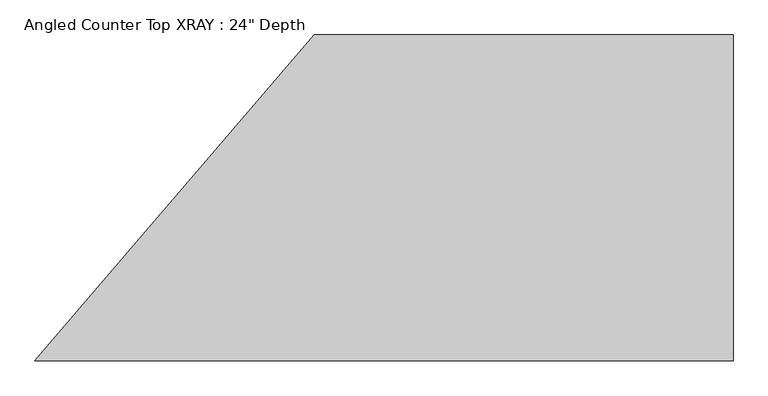
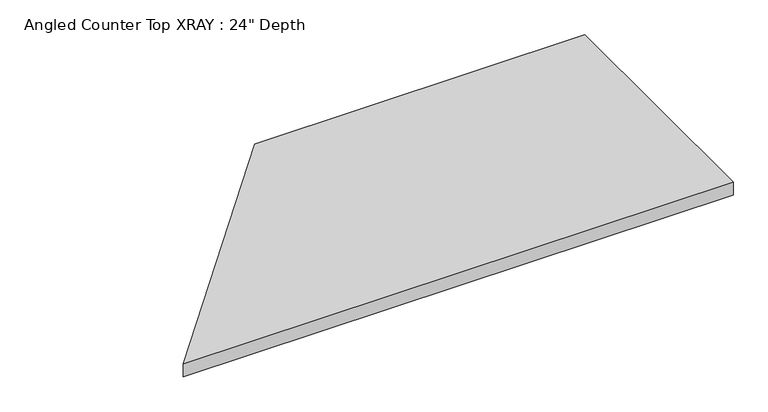
"""IFC4 building model written with IfcOpenShell, lengths in millimetres: furniture geometry."""

from ifc_helpers import new_model, si_unit, frame, origin, place, context, project, spatial, polyline, outline, extrude, source, transform, mapped, element, save


def furniture_64bae9bb(model_context):
    return source(origin(), model_context, "Body", "SweptSolid", [
        extrude(outline(polyline([(1237.9377049, 0.0), (1237.9377049, -711.2), (-286.0622951, -711.2), (323.5377049, 0.0), (1237.9377049, 0.0)])), frame((0.0, 0.0, 876.3), z_axis=(0.0, 0.0, 1.0), x_axis=(1.0, 0.0, 0.0)), (0.0, 0.0, 1.0), 38.1),
    ])


if __name__ == "__main__":
    model = new_model("IFC4")
    model_context = context("Model", 3, world=origin())
    ifc_project = project(units=[si_unit("LENGTHUNIT", "METRE", prefix="MILLI")], contexts=[model_context])
    site = spatial("IfcSite", under=ifc_project)
    building = spatial("IfcBuilding", under=site)
    placement = place(None, origin())
    furniture_shape = furniture_64bae9bb(model_context)
    element("IfcFurniture", 1, ObjectType="Angled Counter Top XRAY : 24\" Depth", at=placement, inside=building, context=model_context, shape_type="MappedRepresentation", body=[
        mapped(furniture_shape, transform((0.0, 0.0, 0.0), x_axis=(1.0, 0.0, 0.0), y_axis=(0.0, 1.0, 0.0), z_axis=(0.0, 0.0, 1.0))),
    ])
    save(model, "model.ifc")
